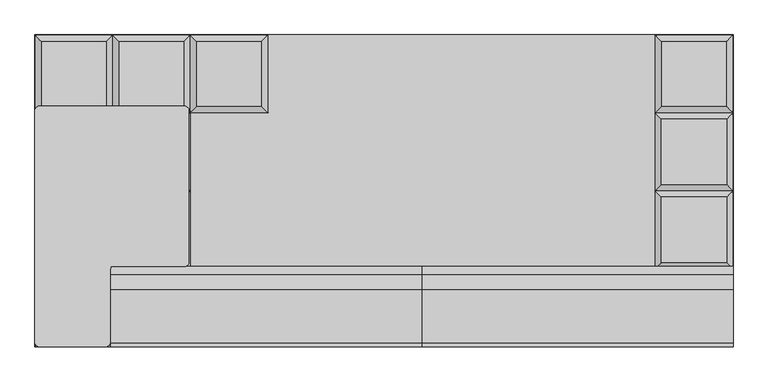
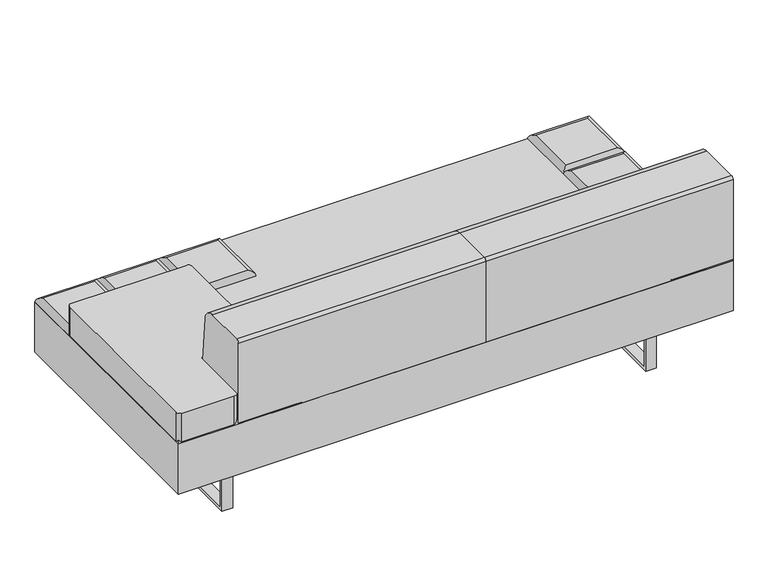
"""IFC4 building model written with IfcOpenShell, lengths in millimetres: furniture geometry."""

import ifcopenshell
import ifcopenshell.guid

model = None  # the IFC model being written
_history = None  # IfcOwnerHistory: only IFC2X3 demands one
_inside = {}  # id of a spatial element -> (the spatial element, [elements in it])
_under = {}  # id of a project, library or spatial element -> (it, [spatial elements below it])
_declared = {}  # id of a project -> (the project, [libraries it declares])
_typed = {}  # id of a type object -> (the type object, [elements of that type])
_made_of = {}  # id of a material, layer set ... -> (it, [elements and type objects made of it])


def new_model(schema):
    """Start an empty IFC model of exactly this schema.

    Asked for "IFC4X3", IfcOpenShell would pick the latest addendum, in which some entities
    have other attributes; the version numbers below select the first issue.
    IFC2X3 requires an IfcOwnerHistory on every rooted entity: one is made here for all.
    """
    global model, _history
    if schema == "IFC4X3":
        model = ifcopenshell.file(schema_version=(4, 3, 0, 0))
    else:
        model = ifcopenshell.file(schema=schema)
    _inside.clear()
    _under.clear()
    _declared.clear()
    _typed.clear()
    _made_of.clear()
    _history = None
    if model.schema == "IFC2X3":
        org = make("IfcOrganization", Name="unknown")
        user = make(
            "IfcPersonAndOrganization",
            ThePerson=make("IfcPerson", FamilyName="unknown"),
            TheOrganization=org,
        )
        app = make(
            "IfcApplication",
            ApplicationDeveloper=org,
            Version="unknown",
            ApplicationFullName="unknown",
            ApplicationIdentifier="unknown",
        )
        _history = make(
            "IfcOwnerHistory",
            OwningUser=user,
            OwningApplication=app,
            ChangeAction="ADDED",
            CreationDate=0,
        )
    return model


def make(cls, **values):
    """One entity of the class cls with the attributes given. An attribute that is None is left unset."""
    return model.create_entity(
        cls, **{name: value for name, value in values.items() if value is not None}
    )


def rooted(cls, **values):
    """An entity with a GlobalId (a new one), such as an element, a storey or a relation."""
    return make(cls, GlobalId=ifcopenshell.guid.new(), OwnerHistory=_history, **values)


def si_unit(unit_type, name, prefix=None):
    """IfcSIUnit, for example si_unit("LENGTHUNIT", "METRE", prefix="MILLI")."""
    return make("IfcSIUnit", UnitType=unit_type, Prefix=prefix, Name=name)


def assignment(units):
    """IfcUnitAssignment: the units of a project."""
    return None if units is None else make("IfcUnitAssignment", Units=units)


def point(xyz):
    """IfcCartesianPoint."""
    return None if xyz is None else make("IfcCartesianPoint", Coordinates=xyz)


def direction(xyz):
    """IfcDirection."""
    return None if xyz is None else make("IfcDirection", DirectionRatios=xyz)


def frame(location, z_axis=None, x_axis=None):
    """IfcAxis2Placement3D, a coordinate frame: its origin and axes. An axis left out is left unset."""
    return make(
        "IfcAxis2Placement3D",
        Location=point(location),
        Axis=direction(z_axis),
        RefDirection=direction(x_axis),
    )


def frame_2d(location, x_axis=None):
    """IfcAxis2Placement2D, a coordinate frame in the plane: its origin and x axis."""
    return make(
        "IfcAxis2Placement2D", Location=point(location), RefDirection=direction(x_axis)
    )


def origin():
    """The frame at (0, 0, 0) with its axes left unset."""
    return frame((0.0, 0.0, 0.0))


def place(relative_to, where):
    """IfcLocalPlacement: puts the frame where relative to a parent placement (None: the world)."""
    return make(
        "IfcLocalPlacement", PlacementRelTo=relative_to, RelativePlacement=where
    )


def context(
    kind, dimensions, precision=None, world=None, true_north=None, identifier=None
):
    """IfcGeometricRepresentationContext, for example the 3D "Model" context."""
    return make(
        "IfcGeometricRepresentationContext",
        ContextIdentifier=identifier,
        ContextType=kind,
        CoordinateSpaceDimension=dimensions,
        Precision=precision,
        WorldCoordinateSystem=world,
        TrueNorth=true_north,
    )


def project(units=None, contexts=None):
    """IfcProject with its units and contexts."""
    return rooted(
        "IfcProject",
        Name="project",
        RepresentationContexts=contexts,
        UnitsInContext=assignment(units),
    )


def spatial(cls, under=None, at=None, **own):
    """A site, building, storey or space (cls), placed at a placement, below another one or the project."""
    s = rooted(cls, ObjectPlacement=at, **own)
    if under is not None:
        _under.setdefault(under.id(), (under, []))[1].append(s)
    return s


def polyline(points):
    """IfcPolyline through the points."""
    return make("IfcPolyline", Points=[point(p) for p in points])


def circle_curve(where, radius):
    """IfcCircle in the frame where."""
    return make("IfcCircle", Position=where, Radius=radius)


def ellipse_curve(where, semi_axis1, semi_axis2):
    """IfcEllipse in the frame where."""
    return make(
        "IfcEllipse", Position=where, SemiAxis1=semi_axis1, SemiAxis2=semi_axis2
    )


def trimmed(basis, trim1, trim2, sense, master):
    """IfcTrimmedCurve: the piece of a basis curve between two trims."""
    return make(
        "IfcTrimmedCurve",
        BasisCurve=basis,
        Trim1=trim1,
        Trim2=trim2,
        SenseAgreement=sense,
        MasterRepresentation=master,
    )


def segment(curve, same_sense, transition):
    """IfcCompositeCurveSegment."""
    return make(
        "IfcCompositeCurveSegment",
        Transition=transition,
        SameSense=same_sense,
        ParentCurve=curve,
    )


def composite_curve(segments, self_intersect=None):
    """IfcCompositeCurve: segments joined end to end."""
    return make("IfcCompositeCurve", Segments=segments, SelfIntersect=self_intersect)


def outline(outer, holes=None, kind="AREA"):
    """IfcArbitraryClosedProfileDef: a profile drawn as a closed curve; with holes, ...WithVoids."""
    if holes is None:
        return make("IfcArbitraryClosedProfileDef", ProfileType=kind, OuterCurve=outer)
    return make(
        "IfcArbitraryProfileDefWithVoids",
        ProfileType=kind,
        OuterCurve=outer,
        InnerCurves=holes,
    )


def extrude(swept, where, along, depth):
    """IfcExtrudedAreaSolid: the profile swept, set in the frame where, extruded along a direction by depth."""
    return make(
        "IfcExtrudedAreaSolid",
        SweptArea=swept,
        Position=where,
        ExtrudedDirection=direction(along),
        Depth=depth,
    )


def shape(context_of_items, identifier, shape_type, items):
    """IfcShapeRepresentation: the items that make up one representation, for example the "Body"."""
    return make(
        "IfcShapeRepresentation",
        ContextOfItems=context_of_items,
        RepresentationIdentifier=identifier,
        RepresentationType=shape_type,
        Items=items,
    )


def source(mapping_origin, context_of_items, identifier, shape_type, items):
    """IfcRepresentationMap: a shape defined once, which mapped items show again and again."""
    return make(
        "IfcRepresentationMap",
        MappingOrigin=mapping_origin,
        MappedRepresentation=shape(context_of_items, identifier, shape_type, items),
    )


def transform(
    local_origin,
    x_axis=None,
    y_axis=None,
    z_axis=None,
    scale=None,
    scale2=None,
    scale3=None,
    uniform=True,
):
    """IfcCartesianTransformationOperator3D, or its non-uniform kind. x_axis, y_axis, z_axis: its Axis1, 2, 3."""
    if uniform:
        return make(
            "IfcCartesianTransformationOperator3D",
            Axis1=direction(x_axis),
            Axis2=direction(y_axis),
            LocalOrigin=point(local_origin),
            Scale=scale,
            Axis3=direction(z_axis),
        )
    return make(
        "IfcCartesianTransformationOperator3DnonUniform",
        Axis1=direction(x_axis),
        Axis2=direction(y_axis),
        LocalOrigin=point(local_origin),
        Scale=scale,
        Axis3=direction(z_axis),
        Scale2=scale2,
        Scale3=scale3,
    )


def mapped(mapping_source, mapping_target):
    """IfcMappedItem: shows the shape of a source again, moved by a transform."""
    return make(
        "IfcMappedItem", MappingSource=mapping_source, MappingTarget=mapping_target
    )


def made_of(thing, what):
    """Note that an element or type object is made of a material, layer set ...; save() writes the relation."""
    if what is not None:
        _made_of.setdefault(what.id(), (what, []))[1].append(thing)
    return thing


def element(
    cls,
    number,
    at=None,
    inside=None,
    cuts=None,
    type_object=None,
    material=None,
    context=None,
    identifier="Body",
    shape_type=None,
    held_by="IfcProductDefinitionShape",
    body=None,
    shapes=None,
    **own,
):
    """One element of the class cls, such as IfcWall. Its Tag is "e" and its number.

    at: its placement. inside: the storey or other place that contains it. cuts: it is an
    opening in that element (IfcRelVoidsElement). A single representation is given by context,
    identifier, shape_type and body (its items); several are given by shapes. held_by: the class
    of the entity that holds the representations. save() writes the other relations.
    """
    e = rooted(cls, Tag="e%d" % number, ObjectPlacement=at, **own)
    if body is not None:
        shapes = [shape(context, identifier, shape_type, body)]
    if shapes is not None:
        e.Representation = make(held_by, Representations=shapes)
    if inside is not None:
        _inside.setdefault(inside.id(), (inside, []))[1].append(e)
    if cuts is not None:
        rooted(
            "IfcRelVoidsElement", RelatingBuildingElement=cuts, RelatedOpeningElement=e
        )
    if type_object is not None:
        _typed.setdefault(type_object.id(), (type_object, []))[1].append(e)
    return made_of(e, material)


def aggregate(whole, parts):
    """IfcRelAggregates: a whole, such as a stair, and the parts it consists of."""
    return rooted("IfcRelAggregates", RelatingObject=whole, RelatedObjects=parts)


def save(model, path):
    """Write the relations noted so far, then the file.

    IfcRelAggregates (storeys below a building ...), IfcRelContainedInSpatialStructure (elements
    in a storey), IfcRelDefinesByType, IfcRelAssociatesMaterial and IfcRelDeclares: one each for
    every whole, place, type object, material and project.
    """
    for whole, parts in _under.values():
        aggregate(whole, parts)
    for where, things in _inside.values():
        rooted(
            "IfcRelContainedInSpatialStructure",
            RelatedElements=things,
            RelatingStructure=where,
        )
    for kind, things in _typed.values():
        rooted("IfcRelDefinesByType", RelatedObjects=things, RelatingType=kind)
    for what, things in _made_of.values():
        rooted("IfcRelAssociatesMaterial", RelatedObjects=things, RelatingMaterial=what)
    for by, libraries in _declared.values():
        rooted("IfcRelDeclares", RelatingContext=by, RelatedDefinitions=libraries)
    model.write(path)


def plane_surface(at):
    """IfcPlane: the flat surface through the origin of the frame at, square to its z axis."""
    return make("IfcPlane", Position=at)


def cylinder_surface(at, radius):
    """IfcCylindricalSurface: all points at the distance radius from the z axis of the frame at."""
    return make("IfcCylindricalSurface", Position=at, Radius=radius)


def advanced_brep(points, edges, surfaces, faces):
    """IfcAdvancedBrep: a solid bounded by faces that lie on surfaces and meet in shared edges.

    An edge is (start, end): straight between two places in points (the first is 0);
    or (start, end, curve); or (start, end, curve, False) where it runs against its curve.
    A face is (place in surfaces, loops), or (place, loops, False) where it looks against
    its surface's normal. A loop lists edges by number (the first is 1), with a minus sign
    where the edge is run from its end to its start. The first loop is the outer one.
    """
    corners = [point(p) for p in points]
    vertices = [make("IfcVertexPoint", VertexGeometry=c) for c in corners]
    made = []
    for start, end, *more in edges:
        made.append(
            make(
                "IfcEdgeCurve",
                EdgeStart=vertices[start],
                EdgeEnd=vertices[end],
                EdgeGeometry=more[0] if more else make("IfcPolyline", Points=[corners[start], corners[end]]),
                SameSense=more[1] if len(more) > 1 else True,
            )
        )
    hull = []
    for where, loops, *sense in faces:
        bounds = []
        for j, loop in enumerate(loops):
            ring = [make("IfcOrientedEdge", EdgeElement=made[abs(k) - 1], Orientation=k > 0) for k in loop]
            bounds.append(
                make(
                    "IfcFaceOuterBound" if j == 0 else "IfcFaceBound",
                    Bound=make("IfcEdgeLoop", EdgeList=ring),
                    Orientation=True,
                )
            )
        hull.append(make("IfcAdvancedFace", Bounds=bounds, FaceSurface=surfaces[where], SameSense=sense[0] if sense else True))
    return make("IfcAdvancedBrep", Outer=make("IfcClosedShell", CfsFaces=hull))


def furniture_3bc9bcd6(model_context):
    return source(origin(), model_context, "Body", "SolidModel", [
        advanced_brep(
        [(-330.2, 222.25, 393.7), (-330.2, 444.5, 393.7), (-348.1605122, 426.5394878, 411.6605122), (-348.1605122, 240.2105122, 411.6605122), (-552.45, 444.5, 393.7), (-534.4894878, 426.5394878, 411.6605122), (-552.45, 222.25, 393.7), (-534.4894878, 240.2105122, 411.6605122)],
        [
            (0, 1),
            (1, 2, ellipse_curve(frame((-348.1605122, 426.5394878, 393.7), z_axis=(0.7071067811865475, -0.7071067811865475, 0.0), x_axis=(-0.7071067811865474, -0.7071067811865476, 0.0)), 25.4, 17.9605122)),
            (2, 3),
            (3, 0, ellipse_curve(frame((-348.1605122, 240.2105122, 393.7), z_axis=(0.7071067811865475, 0.7071067811865475, 0.0), x_axis=(0.7071067811865474, -0.7071067811865476, 0.0)), 25.4, 17.9605122)),
            (1, 4),
            (4, 5, ellipse_curve(frame((-534.4894878, 426.5394878, 393.7), z_axis=(0.7071067811865475, 0.7071067811865475, 0.0), x_axis=(0.7071067811865476, -0.7071067811865474, 0.0)), 25.4, 17.9605122)),
            (5, 2),
            (4, 6),
            (6, 7, ellipse_curve(frame((-534.4894878, 240.2105122, 393.7), z_axis=(-0.7071067811865475, 0.7071067811865475, 0.0), x_axis=(0.7071067811865474, 0.7071067811865476, 0.0)), 25.4, 17.9605122)),
            (7, 5),
            (3, 7),
            (6, 0),
        ],
        [
            cylinder_surface(frame((-348.1605122, 222.25, 393.7), z_axis=(0.0, -1.0, 0.0), x_axis=(1.0, 0.0, 0.0)), 17.9605122),
            cylinder_surface(frame((-330.2, 426.5394878, 393.7), z_axis=(1.0, 0.0, 0.0), x_axis=(0.0, 1.0, 0.0)), 17.9605122),
            cylinder_surface(frame((-534.4894878, 444.5, 393.7), z_axis=(0.0, 1.0, 0.0), x_axis=(-1.0, 0.0, 0.0)), 17.9605122),
            cylinder_surface(frame((-552.45, 240.2105122, 393.7), z_axis=(-1.0, 0.0, 0.0), x_axis=(0.0, -1.0, 0.0)), 17.9605122),
            plane_surface(frame((-552.45, 222.25, 393.7), z_axis=(0.0, 0.0, -1.0), x_axis=(1.0, 0.0, 0.0))),
            plane_surface(frame((-534.4894878, 240.2105122, 411.6605122), z_axis=(0.0, 0.0, 1.0), x_axis=(-1.0, 0.0, 0.0))),
        ],
        [
            (0, [[1, 2, 3, 4]]),
            (1, [[5, 6, 7, -2]]),
            (2, [[8, 9, 10, -6]]),
            (3, [[11, -9, 12, -4]]),
            (4, [[-12, -8, -5, -1]]),
            (5, [[-7, -10, -11, -3]]),
        ],
    ),
        advanced_brep(
        [(-568.8230122, 204.2894878, 411.6605122), (-755.1519878, 204.2894878, 411.6605122), (-755.1519878, 17.9605122, 411.6605122), (-568.8230122, 17.9605122, 411.6605122), (-550.8625, 0.0, 393.7), (-773.1125, 0.0, 393.7), (-773.1125, 222.25, 393.7), (-550.8625, 222.25, 393.7)],
        [
            (0, 1),
            (1, 2),
            (2, 3),
            (3, 0),
            (4, 5),
            (5, 6),
            (6, 7),
            (7, 4),
            (7, 0, ellipse_curve(frame((-568.8230122, 204.2894878, 393.7), z_axis=(0.7071067811865475, -0.7071067811865475, 0.0), x_axis=(-0.7071067811865474, -0.7071067811865476, 0.0)), 25.4, 17.9605122)),
            (3, 4, ellipse_curve(frame((-568.8230122, 17.9605122, 393.7), z_axis=(0.7071067811865475, 0.7071067811865475, 0.0), x_axis=(0.7071067811865474, -0.7071067811865476, 0.0)), 25.4, 17.9605122)),
            (6, 1, ellipse_curve(frame((-755.1519878, 204.2894878, 393.7), z_axis=(0.7071067811865475, 0.7071067811865475, 0.0), x_axis=(0.7071067811865476, -0.7071067811865474, 0.0)), 25.4, 17.9605122)),
            (5, 2, ellipse_curve(frame((-755.1519878, 17.9605122, 393.7), z_axis=(-0.7071067811865475, 0.7071067811865475, 0.0), x_axis=(0.7071067811865474, 0.7071067811865476, 0.0)), 25.4, 17.9605122)),
        ],
        [
            plane_surface(frame((-755.1519878, 17.9605122, 411.6605122), z_axis=(0.0, 0.0, 1.0), x_axis=(-1.0, 0.0, 0.0))),
            plane_surface(frame((-755.1519878, 17.9605122, 393.7), z_axis=(0.0, 0.0, -1.0), x_axis=(1.0, 0.0, 0.0))),
            cylinder_surface(frame((-568.8230122, 0.0, 393.7), z_axis=(0.0, -1.0, 0.0), x_axis=(1.0, 0.0, 0.0)), 17.9605122),
            cylinder_surface(frame((-550.8625, 204.2894878, 393.7), z_axis=(1.0, 0.0, 0.0), x_axis=(0.0, 1.0, 0.0)), 17.9605122),
            cylinder_surface(frame((-755.1519878, 222.25, 393.7), z_axis=(0.0, 1.0, 0.0), x_axis=(-1.0, 0.0, 0.0)), 17.9605122),
            cylinder_surface(frame((-773.1125, 17.9605122, 393.7), z_axis=(-1.0, 0.0, 0.0), x_axis=(0.0, -1.0, 0.0)), 17.9605122),
        ],
        [
            (0, [[1, 2, 3, 4]]),
            (1, [[5, 6, 7, 8]]),
            (2, [[-8, 9, -4, 10]]),
            (3, [[-7, 11, -1, -9]]),
            (4, [[-6, 12, -2, -11]]),
            (5, [[-3, -12, -5, -10]]),
        ],
    ),
        advanced_brep(
        [(-568.8230122, -17.9605122, 411.6605122), (-755.1519878, -17.9605122, 411.6605122), (-755.1519878, -204.2894878, 411.6605122), (-568.8230122, -204.2894878, 411.6605122), (-550.8625, -222.25, 393.7), (-773.1125, -222.25, 393.7), (-773.1125, 0.0, 393.7), (-550.8625, 0.0, 393.7)],
        [
            (0, 1),
            (1, 2),
            (2, 3),
            (3, 0),
            (4, 5),
            (5, 6),
            (6, 7),
            (7, 4),
            (7, 0, ellipse_curve(frame((-568.8230122, -17.9605122, 393.7), z_axis=(0.7071067811865475, -0.7071067811865475, 0.0), x_axis=(-0.7071067811865474, -0.7071067811865476, 0.0)), 25.4, 17.9605122)),
            (3, 4, ellipse_curve(frame((-568.8230122, -204.2894878, 393.7), z_axis=(0.7071067811865475, 0.7071067811865475, 0.0), x_axis=(0.7071067811865474, -0.7071067811865476, 0.0)), 25.4, 17.9605122)),
            (6, 1, ellipse_curve(frame((-755.1519878, -17.9605122, 393.7), z_axis=(0.7071067811865475, 0.7071067811865475, 0.0), x_axis=(0.7071067811865476, -0.7071067811865474, 0.0)), 25.4, 17.9605122)),
            (5, 2, ellipse_curve(frame((-755.1519878, -204.2894878, 393.7), z_axis=(-0.7071067811865475, 0.7071067811865475, 0.0), x_axis=(0.7071067811865474, 0.7071067811865476, 0.0)), 25.4, 17.9605122)),
        ],
        [
            plane_surface(frame((-755.1519878, -204.2894878, 411.6605122), z_axis=(0.0, 0.0, 1.0), x_axis=(-1.0, 0.0, 0.0))),
            plane_surface(frame((-755.1519878, -204.2894878, 393.7), z_axis=(0.0, 0.0, -1.0), x_axis=(1.0, 0.0, 0.0))),
            cylinder_surface(frame((-568.8230122, -222.25, 393.7), z_axis=(0.0, -1.0, 0.0), x_axis=(1.0, 0.0, 0.0)), 17.9605122),
            cylinder_surface(frame((-550.8625, -17.9605122, 393.7), z_axis=(1.0, 0.0, 0.0), x_axis=(0.0, 1.0, 0.0)), 17.9605122),
            cylinder_surface(frame((-755.1519878, 0.0, 393.7), z_axis=(0.0, 1.0, 0.0), x_axis=(-1.0, 0.0, 0.0)), 17.9605122),
            cylinder_surface(frame((-773.1125, -204.2894878, 393.7), z_axis=(-1.0, 0.0, 0.0), x_axis=(0.0, -1.0, 0.0)), 17.9605122),
        ],
        [
            (0, [[1, 2, 3, 4]]),
            (1, [[5, 6, 7, 8]]),
            (2, [[-8, 9, -4, 10]]),
            (3, [[-7, 11, -1, -9]]),
            (4, [[-6, 12, -2, -11]]),
            (5, [[-3, -12, -5, -10]]),
        ],
    ),
        advanced_brep(
        [(-568.8230122, -240.2105122, 411.6605122), (-755.1519878, -240.2105122, 411.6605122), (-755.1519878, -426.5394878, 411.6605122), (-568.8230122, -426.5394878, 411.6605122), (-550.8625, -444.5, 393.7), (-773.1125, -444.5, 393.7), (-773.1125, -222.25, 393.7), (-550.8625, -222.25, 393.7)],
        [
            (0, 1),
            (1, 2),
            (2, 3),
            (3, 0),
            (4, 5),
            (5, 6),
            (6, 7),
            (7, 4),
            (7, 0, ellipse_curve(frame((-568.8230122, -240.2105122, 393.7), z_axis=(0.7071067811865475, -0.7071067811865475, 0.0), x_axis=(-0.7071067811865474, -0.7071067811865476, 0.0)), 25.4, 17.9605122)),
            (3, 4, ellipse_curve(frame((-568.8230122, -426.5394878, 393.7), z_axis=(0.7071067811865475, 0.7071067811865475, 0.0), x_axis=(0.7071067811865474, -0.7071067811865476, 0.0)), 25.4, 17.9605122)),
            (6, 1, ellipse_curve(frame((-755.1519878, -240.2105122, 393.7), z_axis=(0.7071067811865475, 0.7071067811865475, 0.0), x_axis=(0.7071067811865476, -0.7071067811865474, 0.0)), 25.4, 17.9605122)),
            (5, 2, ellipse_curve(frame((-755.1519878, -426.5394878, 393.7), z_axis=(-0.7071067811865475, 0.7071067811865475, 0.0), x_axis=(0.7071067811865474, 0.7071067811865476, 0.0)), 25.4, 17.9605122)),
        ],
        [
            plane_surface(frame((-755.1519878, -426.5394878, 411.6605122), z_axis=(0.0, 0.0, 1.0), x_axis=(-1.0, 0.0, 0.0))),
            plane_surface(frame((-755.1519878, -426.5394878, 393.7), z_axis=(0.0, 0.0, -1.0), x_axis=(1.0, 0.0, 0.0))),
            cylinder_surface(frame((-568.8230122, -444.5, 393.7), z_axis=(0.0, -1.0, 0.0), x_axis=(1.0, 0.0, 0.0)), 17.9605122),
            cylinder_surface(frame((-550.8625, -240.2105122, 393.7), z_axis=(1.0, 0.0, 0.0), x_axis=(0.0, 1.0, 0.0)), 17.9605122),
            cylinder_surface(frame((-755.1519878, -222.25, 393.7), z_axis=(0.0, 1.0, 0.0), x_axis=(-1.0, 0.0, 0.0)), 17.9605122),
            cylinder_surface(frame((-773.1125, -426.5394878, 393.7), z_axis=(-1.0, 0.0, 0.0), x_axis=(0.0, -1.0, 0.0)), 17.9605122),
        ],
        [
            (0, [[1, 2, 3, 4]]),
            (1, [[5, 6, 7, 8]]),
            (2, [[-8, 9, -4, 10]]),
            (3, [[-7, 11, -1, -9]]),
            (4, [[-6, 12, -2, -11]]),
            (5, [[-3, -12, -5, -10]]),
        ],
    ),
        advanced_brep(
        [(-550.8625, 222.25, 393.7), (-550.8625, 444.5, 393.7), (-568.8230122, 426.5394878, 411.6605122), (-568.8230122, 240.2105122, 411.6605122), (-773.1125, 444.5, 393.7), (-755.1519878, 426.5394878, 411.6605122), (-773.1125, 222.25, 393.7), (-755.1519878, 240.2105122, 411.6605122)],
        [
            (0, 1),
            (1, 2, ellipse_curve(frame((-568.8230122, 426.5394878, 393.7), z_axis=(0.7071067811865475, -0.7071067811865475, 0.0), x_axis=(-0.7071067811865474, -0.7071067811865476, 0.0)), 25.4, 17.9605122)),
            (2, 3),
            (3, 0, ellipse_curve(frame((-568.8230122, 240.2105122, 393.7), z_axis=(0.7071067811865475, 0.7071067811865475, 0.0), x_axis=(0.7071067811865474, -0.7071067811865476, 0.0)), 25.4, 17.9605122)),
            (1, 4),
            (4, 5, ellipse_curve(frame((-755.1519878, 426.5394878, 393.7), z_axis=(0.7071067811865475, 0.7071067811865475, 0.0), x_axis=(0.7071067811865476, -0.7071067811865474, 0.0)), 25.4, 17.9605122)),
            (5, 2),
            (4, 6),
            (6, 7, ellipse_curve(frame((-755.1519878, 240.2105122, 393.7), z_axis=(-0.7071067811865475, 0.7071067811865475, 0.0), x_axis=(0.7071067811865474, 0.7071067811865476, 0.0)), 25.4, 17.9605122)),
            (7, 5),
            (3, 7),
            (6, 0),
        ],
        [
            cylinder_surface(frame((-568.8230122, 222.25, 393.7), z_axis=(0.0, -1.0, 0.0), x_axis=(1.0, 0.0, 0.0)), 17.9605122),
            cylinder_surface(frame((-550.8625, 426.5394878, 393.7), z_axis=(1.0, 0.0, 0.0), x_axis=(0.0, 1.0, 0.0)), 17.9605122),
            cylinder_surface(frame((-755.1519878, 444.5, 393.7), z_axis=(0.0, 1.0, 0.0), x_axis=(-1.0, 0.0, 0.0)), 17.9605122),
            cylinder_surface(frame((-773.1125, 240.2105122, 393.7), z_axis=(-1.0, 0.0, 0.0), x_axis=(0.0, -1.0, 0.0)), 17.9605122),
            plane_surface(frame((-773.1125, 222.25, 393.7), z_axis=(0.0, 0.0, -1.0), x_axis=(1.0, 0.0, 0.0))),
            plane_surface(frame((-755.1519878, 240.2105122, 411.6605122), z_axis=(0.0, 0.0, 1.0), x_axis=(-1.0, 0.0, 0.0))),
        ],
        [
            (0, [[1, 2, 3, 4]]),
            (1, [[5, 6, 7, -2]]),
            (2, [[8, 9, 10, -6]]),
            (3, [[11, -9, 12, -4]]),
            (4, [[-12, -8, -5, -1]]),
            (5, [[-7, -10, -11, -3]]),
        ],
    ),
        advanced_brep(
        [(975.8144878, 204.2894878, 411.6605122), (789.4855122, 204.2894878, 411.6605122), (789.4855122, 17.9605122, 411.6605122), (975.8144878, 17.9605122, 411.6605122), (993.775, 0.0, 393.7), (771.525, 0.0, 393.7), (771.525, 222.25, 393.7), (993.775, 222.25, 393.7)],
        [
            (0, 1),
            (1, 2),
            (2, 3),
            (3, 0),
            (4, 5),
            (5, 6),
            (6, 7),
            (7, 4),
            (7, 0, ellipse_curve(frame((975.8144878, 204.2894878, 393.7), z_axis=(0.7071067811865475, -0.7071067811865475, 0.0), x_axis=(-0.7071067811865474, -0.7071067811865476, 0.0)), 25.4, 17.9605122)),
            (3, 4, ellipse_curve(frame((975.8144878, 17.9605122, 393.7), z_axis=(0.7071067811865475, 0.7071067811865475, 0.0), x_axis=(0.7071067811865474, -0.7071067811865476, 0.0)), 25.4, 17.9605122)),
            (6, 1, ellipse_curve(frame((789.4855122, 204.2894878, 393.7), z_axis=(0.7071067811865475, 0.7071067811865475, 0.0), x_axis=(0.7071067811865476, -0.7071067811865474, 0.0)), 25.4, 17.9605122)),
            (5, 2, ellipse_curve(frame((789.4855122, 17.9605122, 393.7), z_axis=(-0.7071067811865475, 0.7071067811865475, 0.0), x_axis=(0.7071067811865474, 0.7071067811865476, 0.0)), 25.4, 17.9605122)),
        ],
        [
            plane_surface(frame((789.4855122, 17.9605122, 411.6605122), z_axis=(0.0, 0.0, 1.0), x_axis=(-1.0, 0.0, 0.0))),
            plane_surface(frame((789.4855122, 17.9605122, 393.7), z_axis=(0.0, 0.0, -1.0), x_axis=(1.0, 0.0, 0.0))),
            cylinder_surface(frame((975.8144878, 0.0, 393.7), z_axis=(0.0, -1.0, 0.0), x_axis=(1.0, 0.0, 0.0)), 17.9605122),
            cylinder_surface(frame((993.775, 204.2894878, 393.7), z_axis=(1.0, 0.0, 0.0), x_axis=(0.0, 1.0, 0.0)), 17.9605122),
            cylinder_surface(frame((789.4855122, 222.25, 393.7), z_axis=(0.0, 1.0, 0.0), x_axis=(-1.0, 0.0, 0.0)), 17.9605122),
            cylinder_surface(frame((771.525, 17.9605122, 393.7), z_axis=(-1.0, 0.0, 0.0), x_axis=(0.0, -1.0, 0.0)), 17.9605122),
        ],
        [
            (0, [[1, 2, 3, 4]]),
            (1, [[5, 6, 7, 8]]),
            (2, [[-8, 9, -4, 10]]),
            (3, [[-7, 11, -1, -9]]),
            (4, [[-6, 12, -2, -11]]),
            (5, [[-3, -12, -5, -10]]),
        ],
    ),
        advanced_brep(
        [(975.8144878, -17.9605122, 411.6605122), (789.4855122, -17.9605122, 411.6605122), (789.4855122, -204.2894878, 411.6605122), (975.8144878, -204.2894878, 411.6605122), (993.775, -222.25, 393.7), (771.525, -222.25, 393.7), (771.525, 0.0, 393.7), (993.775, 0.0, 393.7)],
        [
            (0, 1),
            (1, 2),
            (2, 3),
            (3, 0),
            (4, 5),
            (5, 6),
            (6, 7),
            (7, 4),
            (7, 0, ellipse_curve(frame((975.8144878, -17.9605122, 393.7), z_axis=(0.7071067811865475, -0.7071067811865475, 0.0), x_axis=(-0.7071067811865474, -0.7071067811865476, 0.0)), 25.4, 17.9605122)),
            (3, 4, ellipse_curve(frame((975.8144878, -204.2894878, 393.7), z_axis=(0.7071067811865475, 0.7071067811865475, 0.0), x_axis=(0.7071067811865474, -0.7071067811865476, 0.0)), 25.4, 17.9605122)),
            (6, 1, ellipse_curve(frame((789.4855122, -17.9605122, 393.7), z_axis=(0.7071067811865475, 0.7071067811865475, 0.0), x_axis=(0.7071067811865476, -0.7071067811865474, 0.0)), 25.4, 17.9605122)),
            (5, 2, ellipse_curve(frame((789.4855122, -204.2894878, 393.7), z_axis=(-0.7071067811865475, 0.7071067811865475, 0.0), x_axis=(0.7071067811865474, 0.7071067811865476, 0.0)), 25.4, 17.9605122)),
        ],
        [
            plane_surface(frame((789.4855122, -204.2894878, 411.6605122), z_axis=(0.0, 0.0, 1.0), x_axis=(-1.0, 0.0, 0.0))),
            plane_surface(frame((789.4855122, -204.2894878, 393.7), z_axis=(0.0, 0.0, -1.0), x_axis=(1.0, 0.0, 0.0))),
            cylinder_surface(frame((975.8144878, -222.25, 393.7), z_axis=(0.0, -1.0, 0.0), x_axis=(1.0, 0.0, 0.0)), 17.9605122),
            cylinder_surface(frame((993.775, -17.9605122, 393.7), z_axis=(1.0, 0.0, 0.0), x_axis=(0.0, 1.0, 0.0)), 17.9605122),
            cylinder_surface(frame((789.4855122, 0.0, 393.7), z_axis=(0.0, 1.0, 0.0), x_axis=(-1.0, 0.0, 0.0)), 17.9605122),
            cylinder_surface(frame((771.525, -204.2894878, 393.7), z_axis=(-1.0, 0.0, 0.0), x_axis=(0.0, -1.0, 0.0)), 17.9605122),
        ],
        [
            (0, [[1, 2, 3, 4]]),
            (1, [[5, 6, 7, 8]]),
            (2, [[-8, 9, -4, 10]]),
            (3, [[-7, 11, -1, -9]]),
            (4, [[-6, 12, -2, -11]]),
            (5, [[-3, -12, -5, -10]]),
        ],
    ),
        advanced_brep(
        [(975.8144878, -240.2105122, 411.6605122), (789.4855122, -240.2105122, 411.6605122), (789.4855122, -426.5394878, 411.6605122), (975.8144878, -426.5394878, 411.6605122), (993.775, -444.5, 393.7), (771.525, -444.5, 393.7), (771.525, -222.25, 393.7), (993.775, -222.25, 393.7)],
        [
            (0, 1),
            (1, 2),
            (2, 3),
            (3, 0),
            (4, 5),
            (5, 6),
            (6, 7),
            (7, 4),
            (7, 0, ellipse_curve(frame((975.8144878, -240.2105122, 393.7), z_axis=(0.7071067811865475, -0.7071067811865475, 0.0), x_axis=(-0.7071067811865474, -0.7071067811865476, 0.0)), 25.4, 17.9605122)),
            (3, 4, ellipse_curve(frame((975.8144878, -426.5394878, 393.7), z_axis=(0.7071067811865475, 0.7071067811865475, 0.0), x_axis=(0.7071067811865474, -0.7071067811865476, 0.0)), 25.4, 17.9605122)),
            (6, 1, ellipse_curve(frame((789.4855122, -240.2105122, 393.7), z_axis=(0.7071067811865475, 0.7071067811865475, 0.0), x_axis=(0.7071067811865476, -0.7071067811865474, 0.0)), 25.4, 17.9605122)),
            (5, 2, ellipse_curve(frame((789.4855122, -426.5394878, 393.7), z_axis=(-0.7071067811865475, 0.7071067811865475, 0.0), x_axis=(0.7071067811865474, 0.7071067811865476, 0.0)), 25.4, 17.9605122)),
        ],
        [
            plane_surface(frame((789.4855122, -426.5394878, 411.6605122), z_axis=(0.0, 0.0, 1.0), x_axis=(-1.0, 0.0, 0.0))),
            plane_surface(frame((789.4855122, -426.5394878, 393.7), z_axis=(0.0, 0.0, -1.0), x_axis=(1.0, 0.0, 0.0))),
            cylinder_surface(frame((975.8144878, -444.5, 393.7), z_axis=(0.0, -1.0, 0.0), x_axis=(1.0, 0.0, 0.0)), 17.9605122),
            cylinder_surface(frame((993.775, -240.2105122, 393.7), z_axis=(1.0, 0.0, 0.0), x_axis=(0.0, 1.0, 0.0)), 17.9605122),
            cylinder_surface(frame((789.4855122, -222.25, 393.7), z_axis=(0.0, 1.0, 0.0), x_axis=(-1.0, 0.0, 0.0)), 17.9605122),
            cylinder_surface(frame((771.525, -426.5394878, 393.7), z_axis=(-1.0, 0.0, 0.0), x_axis=(0.0, -1.0, 0.0)), 17.9605122),
        ],
        [
            (0, [[1, 2, 3, 4]]),
            (1, [[5, 6, 7, 8]]),
            (2, [[-8, 9, -4, 10]]),
            (3, [[-7, 11, -1, -9]]),
            (4, [[-6, 12, -2, -11]]),
            (5, [[-3, -12, -5, -10]]),
        ],
    ),
        advanced_brep(
        [(993.775, 222.25, 393.7), (993.775, 444.5, 393.7), (975.8144878, 426.5394878, 411.6605122), (975.8144878, 240.2105122, 411.6605122), (771.525, 444.5, 393.7), (789.4855122, 426.5394878, 411.6605122), (771.525, 222.25, 393.7), (789.4855122, 240.2105122, 411.6605122)],
        [
            (0, 1),
            (1, 2, ellipse_curve(frame((975.8144878, 426.5394878, 393.7), z_axis=(0.7071067811865475, -0.7071067811865475, 0.0), x_axis=(-0.7071067811865474, -0.7071067811865476, 0.0)), 25.4, 17.9605122)),
            (2, 3),
            (3, 0, ellipse_curve(frame((975.8144878, 240.2105122, 393.7), z_axis=(0.7071067811865475, 0.7071067811865475, 0.0), x_axis=(0.7071067811865474, -0.7071067811865476, 0.0)), 25.4, 17.9605122)),
            (1, 4),
            (4, 5, ellipse_curve(frame((789.4855122, 426.5394878, 393.7), z_axis=(0.7071067811865475, 0.7071067811865475, 0.0), x_axis=(0.7071067811865476, -0.7071067811865474, 0.0)), 25.4, 17.9605122)),
            (5, 2),
            (4, 6),
            (6, 7, ellipse_curve(frame((789.4855122, 240.2105122, 393.7), z_axis=(-0.7071067811865475, 0.7071067811865475, 0.0), x_axis=(0.7071067811865474, 0.7071067811865476, 0.0)), 25.4, 17.9605122)),
            (7, 5),
            (3, 7),
            (6, 0),
        ],
        [
            cylinder_surface(frame((975.8144878, 222.25, 393.7), z_axis=(0.0, -1.0, 0.0), x_axis=(1.0, 0.0, 0.0)), 17.9605122),
            cylinder_surface(frame((993.775, 426.5394878, 393.7), z_axis=(1.0, 0.0, 0.0), x_axis=(0.0, 1.0, 0.0)), 17.9605122),
            cylinder_surface(frame((789.4855122, 444.5, 393.7), z_axis=(0.0, 1.0, 0.0), x_axis=(-1.0, 0.0, 0.0)), 17.9605122),
            cylinder_surface(frame((771.525, 240.2105122, 393.7), z_axis=(-1.0, 0.0, 0.0), x_axis=(0.0, -1.0, 0.0)), 17.9605122),
            plane_surface(frame((771.525, 222.25, 393.7), z_axis=(0.0, 0.0, -1.0), x_axis=(1.0, 0.0, 0.0))),
            plane_surface(frame((789.4855122, 240.2105122, 411.6605122), z_axis=(0.0, 0.0, 1.0), x_axis=(-1.0, 0.0, 0.0))),
        ],
        [
            (0, [[1, 2, 3, 4]]),
            (1, [[5, 6, 7, -2]]),
            (2, [[8, 9, 10, -6]]),
            (3, [[11, -9, 12, -4]]),
            (4, [[-12, -8, -5, -1]]),
            (5, [[-7, -10, -11, -3]]),
        ],
    ),
        advanced_brep(
        [(-789.4855122, 204.2894878, 411.6605122), (-975.8144878, 204.2894878, 411.6605122), (-975.8144878, 17.9605122, 411.6605122), (-789.4855122, 17.9605122, 411.6605122), (-771.525, 0.0, 393.7), (-993.775, 0.0, 393.7), (-993.775, 222.25, 393.7), (-771.525, 222.25, 393.7)],
        [
            (0, 1),
            (1, 2),
            (2, 3),
            (3, 0),
            (4, 5),
            (5, 6),
            (6, 7),
            (7, 4),
            (7, 0, ellipse_curve(frame((-789.4855122, 204.2894878, 393.7), z_axis=(0.7071067811865475, -0.7071067811865475, 0.0), x_axis=(-0.7071067811865474, -0.7071067811865476, 0.0)), 25.4, 17.9605122)),
            (3, 4, ellipse_curve(frame((-789.4855122, 17.9605122, 393.7), z_axis=(0.7071067811865475, 0.7071067811865475, 0.0), x_axis=(0.7071067811865474, -0.7071067811865476, 0.0)), 25.4, 17.9605122)),
            (6, 1, ellipse_curve(frame((-975.8144878, 204.2894878, 393.7), z_axis=(0.7071067811865475, 0.7071067811865475, 0.0), x_axis=(0.7071067811865476, -0.7071067811865474, 0.0)), 25.4, 17.9605122)),
            (5, 2, ellipse_curve(frame((-975.8144878, 17.9605122, 393.7), z_axis=(-0.7071067811865475, 0.7071067811865475, 0.0), x_axis=(0.7071067811865474, 0.7071067811865476, 0.0)), 25.4, 17.9605122)),
        ],
        [
            plane_surface(frame((-975.8144878, 17.9605122, 411.6605122), z_axis=(0.0, 0.0, 1.0), x_axis=(-1.0, 0.0, 0.0))),
            plane_surface(frame((-975.8144878, 17.9605122, 393.7), z_axis=(0.0, 0.0, -1.0), x_axis=(1.0, 0.0, 0.0))),
            cylinder_surface(frame((-789.4855122, 0.0, 393.7), z_axis=(0.0, -1.0, 0.0), x_axis=(1.0, 0.0, 0.0)), 17.9605122),
            cylinder_surface(frame((-771.525, 204.2894878, 393.7), z_axis=(1.0, 0.0, 0.0), x_axis=(0.0, 1.0, 0.0)), 17.9605122),
            cylinder_surface(frame((-975.8144878, 222.25, 393.7), z_axis=(0.0, 1.0, 0.0), x_axis=(-1.0, 0.0, 0.0)), 17.9605122),
            cylinder_surface(frame((-993.775, 17.9605122, 393.7), z_axis=(-1.0, 0.0, 0.0), x_axis=(0.0, -1.0, 0.0)), 17.9605122),
        ],
        [
            (0, [[1, 2, 3, 4]]),
            (1, [[5, 6, 7, 8]]),
            (2, [[-8, 9, -4, 10]]),
            (3, [[-7, 11, -1, -9]]),
            (4, [[-6, 12, -2, -11]]),
            (5, [[-3, -12, -5, -10]]),
        ],
    ),
        advanced_brep(
        [(-789.4855122, -17.9605122, 411.6605122), (-975.8144878, -17.9605122, 411.6605122), (-975.8144878, -204.2894878, 411.6605122), (-789.4855122, -204.2894878, 411.6605122), (-771.525, -222.25, 393.7), (-993.775, -222.25, 393.7), (-993.775, 0.0, 393.7), (-771.525, 0.0, 393.7)],
        [
            (0, 1),
            (1, 2),
            (2, 3),
            (3, 0),
            (4, 5),
            (5, 6),
            (6, 7),
            (7, 4),
            (7, 0, ellipse_curve(frame((-789.4855122, -17.9605122, 393.7), z_axis=(0.7071067811865475, -0.7071067811865475, 0.0), x_axis=(-0.7071067811865474, -0.7071067811865476, 0.0)), 25.4, 17.9605122)),
            (3, 4, ellipse_curve(frame((-789.4855122, -204.2894878, 393.7), z_axis=(0.7071067811865475, 0.7071067811865475, 0.0), x_axis=(0.7071067811865474, -0.7071067811865476, 0.0)), 25.4, 17.9605122)),
            (6, 1, ellipse_curve(frame((-975.8144878, -17.9605122, 393.7), z_axis=(0.7071067811865475, 0.7071067811865475, 0.0), x_axis=(0.7071067811865476, -0.7071067811865474, 0.0)), 25.4, 17.9605122)),
            (5, 2, ellipse_curve(frame((-975.8144878, -204.2894878, 393.7), z_axis=(-0.7071067811865475, 0.7071067811865475, 0.0), x_axis=(0.7071067811865474, 0.7071067811865476, 0.0)), 25.4, 17.9605122)),
        ],
        [
            plane_surface(frame((-975.8144878, -204.2894878, 411.6605122), z_axis=(0.0, 0.0, 1.0), x_axis=(-1.0, 0.0, 0.0))),
            plane_surface(frame((-975.8144878, -204.2894878, 393.7), z_axis=(0.0, 0.0, -1.0), x_axis=(1.0, 0.0, 0.0))),
            cylinder_surface(frame((-789.4855122, -222.25, 393.7), z_axis=(0.0, -1.0, 0.0), x_axis=(1.0, 0.0, 0.0)), 17.9605122),
            cylinder_surface(frame((-771.525, -17.9605122, 393.7), z_axis=(1.0, 0.0, 0.0), x_axis=(0.0, 1.0, 0.0)), 17.9605122),
            cylinder_surface(frame((-975.8144878, 0.0, 393.7), z_axis=(0.0, 1.0, 0.0), x_axis=(-1.0, 0.0, 0.0)), 17.9605122),
            cylinder_surface(frame((-993.775, -204.2894878, 393.7), z_axis=(-1.0, 0.0, 0.0), x_axis=(0.0, -1.0, 0.0)), 17.9605122),
        ],
        [
            (0, [[1, 2, 3, 4]]),
            (1, [[5, 6, 7, 8]]),
            (2, [[-8, 9, -4, 10]]),
            (3, [[-7, 11, -1, -9]]),
            (4, [[-6, 12, -2, -11]]),
            (5, [[-3, -12, -5, -10]]),
        ],
    ),
        advanced_brep(
        [(-789.4855122, -240.2105122, 411.6605122), (-975.8144878, -240.2105122, 411.6605122), (-975.8144878, -426.5394878, 411.6605122), (-789.4855122, -426.5394878, 411.6605122), (-771.525, -444.5, 393.7), (-993.775, -444.5, 393.7), (-993.775, -222.25, 393.7), (-771.525, -222.25, 393.7)],
        [
            (0, 1),
            (1, 2),
            (2, 3),
            (3, 0),
            (4, 5),
            (5, 6),
            (6, 7),
            (7, 4),
            (7, 0, ellipse_curve(frame((-789.4855122, -240.2105122, 393.7), z_axis=(0.7071067811865475, -0.7071067811865475, 0.0), x_axis=(-0.7071067811865474, -0.7071067811865476, 0.0)), 25.4, 17.9605122)),
            (3, 4, ellipse_curve(frame((-789.4855122, -426.5394878, 393.7), z_axis=(0.7071067811865475, 0.7071067811865475, 0.0), x_axis=(0.7071067811865474, -0.7071067811865476, 0.0)), 25.4, 17.9605122)),
            (6, 1, ellipse_curve(frame((-975.8144878, -240.2105122, 393.7), z_axis=(0.7071067811865475, 0.7071067811865475, 0.0), x_axis=(0.7071067811865476, -0.7071067811865474, 0.0)), 25.4, 17.9605122)),
            (5, 2, ellipse_curve(frame((-975.8144878, -426.5394878, 393.7), z_axis=(-0.7071067811865475, 0.7071067811865475, 0.0), x_axis=(0.7071067811865474, 0.7071067811865476, 0.0)), 25.4, 17.9605122)),
        ],
        [
            plane_surface(frame((-975.8144878, -426.5394878, 411.6605122), z_axis=(0.0, 0.0, 1.0), x_axis=(-1.0, 0.0, 0.0))),
            plane_surface(frame((-975.8144878, -426.5394878, 393.7), z_axis=(0.0, 0.0, -1.0), x_axis=(1.0, 0.0, 0.0))),
            cylinder_surface(frame((-789.4855122, -444.5, 393.7), z_axis=(0.0, -1.0, 0.0), x_axis=(1.0, 0.0, 0.0)), 17.9605122),
            cylinder_surface(frame((-771.525, -240.2105122, 393.7), z_axis=(1.0, 0.0, 0.0), x_axis=(0.0, 1.0, 0.0)), 17.9605122),
            cylinder_surface(frame((-975.8144878, -222.25, 393.7), z_axis=(0.0, 1.0, 0.0), x_axis=(-1.0, 0.0, 0.0)), 17.9605122),
            cylinder_surface(frame((-993.775, -426.5394878, 393.7), z_axis=(-1.0, 0.0, 0.0), x_axis=(0.0, -1.0, 0.0)), 17.9605122),
        ],
        [
            (0, [[1, 2, 3, 4]]),
            (1, [[5, 6, 7, 8]]),
            (2, [[-8, 9, -4, 10]]),
            (3, [[-7, 11, -1, -9]]),
            (4, [[-6, 12, -2, -11]]),
            (5, [[-3, -12, -5, -10]]),
        ],
    ),
        advanced_brep(
        [(-771.525, 222.25, 393.7), (-771.525, 444.5, 393.7), (-789.4855122, 426.5394878, 411.6605122), (-789.4855122, 240.2105122, 411.6605122), (-993.775, 444.5, 393.7), (-975.8144878, 426.5394878, 411.6605122), (-993.775, 222.25, 393.7), (-975.8144878, 240.2105122, 411.6605122)],
        [
            (0, 1),
            (1, 2, ellipse_curve(frame((-789.4855122, 426.5394878, 393.7), z_axis=(0.7071067811865475, -0.7071067811865475, 0.0), x_axis=(-0.7071067811865474, -0.7071067811865476, 0.0)), 25.4, 17.9605122)),
            (2, 3),
            (3, 0, ellipse_curve(frame((-789.4855122, 240.2105122, 393.7), z_axis=(0.7071067811865475, 0.7071067811865475, 0.0), x_axis=(0.7071067811865474, -0.7071067811865476, 0.0)), 25.4, 17.9605122)),
            (1, 4),
            (4, 5, ellipse_curve(frame((-975.8144878, 426.5394878, 393.7), z_axis=(0.7071067811865475, 0.7071067811865475, 0.0), x_axis=(0.7071067811865476, -0.7071067811865474, 0.0)), 25.4, 17.9605122)),
            (5, 2),
            (4, 6),
            (6, 7, ellipse_curve(frame((-975.8144878, 240.2105122, 393.7), z_axis=(-0.7071067811865475, 0.7071067811865475, 0.0), x_axis=(0.7071067811865474, 0.7071067811865476, 0.0)), 25.4, 17.9605122)),
            (7, 5),
            (3, 7),
            (6, 0),
        ],
        [
            cylinder_surface(frame((-789.4855122, 222.25, 393.7), z_axis=(0.0, -1.0, 0.0), x_axis=(1.0, 0.0, 0.0)), 17.9605122),
            cylinder_surface(frame((-771.525, 426.5394878, 393.7), z_axis=(1.0, 0.0, 0.0), x_axis=(0.0, 1.0, 0.0)), 17.9605122),
            cylinder_surface(frame((-975.8144878, 444.5, 393.7), z_axis=(0.0, 1.0, 0.0), x_axis=(-1.0, 0.0, 0.0)), 17.9605122),
            cylinder_surface(frame((-993.775, 240.2105122, 393.7), z_axis=(-1.0, 0.0, 0.0), x_axis=(0.0, -1.0, 0.0)), 17.9605122),
            plane_surface(frame((-993.775, 222.25, 393.7), z_axis=(0.0, 0.0, -1.0), x_axis=(1.0, 0.0, 0.0))),
            plane_surface(frame((-975.8144878, 240.2105122, 411.6605122), z_axis=(0.0, 0.0, 1.0), x_axis=(-1.0, 0.0, 0.0))),
        ],
        [
            (0, [[1, 2, 3, 4]]),
            (1, [[5, 6, 7, -2]]),
            (2, [[8, 9, 10, -6]]),
            (3, [[11, -9, 12, -4]]),
            (4, [[-12, -8, -5, -1]]),
            (5, [[-7, -10, -11, -3]]),
        ],
    ),
        extrude(outline(polyline([(339.4724839, 0.0), (-341.6588694, 0.0), (-341.6588694, 203.2), (339.4724839, 203.2), (339.4724839, 0.0)]), holes=[polyline([(326.7724839, 190.5), (-328.9588694, 190.5), (-328.9588694, 12.7), (326.7724839, 12.7), (326.7724839, 190.5)])]), frame((-777.875, 0.0, 0.0), z_axis=(1.0, 0.0, 0.0), x_axis=(0.0, 1.0, 0.0)), (0.0, 0.0, 1.0), 38.0999535),
        extrude(outline(polyline([(339.4724839, 203.2), (339.4724839, 0.0), (-341.6588694, 0.0), (-341.6588694, 203.2), (339.4724839, 203.2)]), holes=[polyline([(326.7724839, 12.7), (326.7724839, 190.5), (-328.9588694, 190.5), (-328.9588694, 12.7), (326.7724839, 12.7)])]), frame((739.7750465, 0.0, 0.0), z_axis=(1.0, 0.0, 0.0), x_axis=(0.0, 1.0, 0.0)), (0.0, 0.0, 1.0), 38.0999535),
        extrude(outline(polyline([(993.775, -444.5), (-993.775, -444.5), (-993.775, 444.5), (993.775, 444.5), (993.775, -444.5)])), frame((0.0, 0.0, 203.2), z_axis=(0.0, 0.0, 1.0), x_axis=(1.0, 0.0, 0.0)), (0.0, 0.0, 1.0), 190.5),
        extrude(outline(composite_curve([segment(polyline([(-444.5, 393.7), (-444.5, 699.3625993)]), True, "CONTINUOUS"), segment(trimmed(circle_curve(frame_2d((-434.544558, 699.3625993)), 9.955442), [point((-444.5, 699.3625993))], [point((-434.544558, 709.3180412))], False, "CARTESIAN"), True, "CONTINUOUS"), segment(polyline([(-434.544558, 709.3180412), (-282.1937319, 709.3180412)]), True, "CONTINUOUS"), segment(trimmed(circle_curve(frame_2d((-282.1937319, 664.8680412)), 44.45), [point((-282.1937319, 709.3180412))], [point((-237.9512344, 669.1580194))], False, "CARTESIAN"), True, "CONTINUOUS"), segment(polyline([(-237.9512344, 669.1580194), (-215.3053904, 435.6116811)]), True, "CONTINUOUS"), segment(trimmed(circle_curve(frame_2d((-263.4189927, 430.9463408)), 48.3392606), [point((-215.3053904, 435.6116811))], [point((-232.6067514, 393.7))], False, "CARTESIAN"), True, "CONTINUOUS"), segment(polyline([(-232.6067514, 393.7), (-444.5, 393.7)]), True, "CONTINUOUS")], self_intersect=False)), frame((-777.875, 0.0, 0.0), z_axis=(1.0, 0.0, 0.0), x_axis=(0.0, 1.0, 0.0)), (0.0, 0.0, 1.0), 885.825),
        extrude(outline(composite_curve([segment(trimmed(circle_curve(frame_2d((-981.1462032, 228.6712032)), 12.6287968), [point((-993.775, 228.6712032))], [point((-981.1462032, 241.3))], False, "CARTESIAN"), True, "CONTINUOUS"), segment(polyline([(-981.1462032, 241.3), (-567.9832379, 241.3)]), True, "CONTINUOUS"), segment(trimmed(circle_curve(frame_2d((-567.9832379, 228.885974)), 12.414026), [point((-567.9832379, 241.3))], [point((-555.5692118, 228.885974))], False, "CARTESIAN"), True, "CONTINUOUS"), segment(polyline([(-555.5692118, 228.885974), (-555.5692118, -203.5240696)]), True, "CONTINUOUS"), segment(trimmed(circle_curve(frame_2d((-567.1248743, -203.5240696)), 11.5556624), [point((-555.5692118, -203.5240696))], [point((-567.1248743, -215.079732))], False, "CARTESIAN"), True, "CONTINUOUS"), segment(polyline([(-567.1248743, -215.079732), (-766.9861124, -215.079732)]), True, "CONTINUOUS"), segment(trimmed(circle_curve(frame_2d((-769.9214244, -235.6749267)), 20.8033194), [point((-766.9861124, -215.079732))], [point((-777.9008546, -216.4627745))], True, "CARTESIAN"), True, "CONTINUOUS"), segment(polyline([(-777.9008546, -216.4627745), (-777.9008546, -429.515495)]), True, "CONTINUOUS"), segment(trimmed(circle_curve(frame_2d((-792.8853596, -429.515495)), 14.984505), [point((-777.9008546, -429.515495))], [point((-792.8853596, -444.5))], False, "CARTESIAN"), True, "CONTINUOUS"), segment(polyline([(-792.8853596, -444.5), (-981.0916397, -444.5)]), True, "CONTINUOUS"), segment(trimmed(circle_curve(frame_2d((-981.0916397, -431.8166397)), 12.6833603), [point((-981.0916397, -444.5))], [point((-993.775, -431.8166397))], False, "CARTESIAN"), True, "CONTINUOUS"), segment(polyline([(-993.775, -431.8166397), (-993.775, 228.6712032)]), True, "CONTINUOUS")], self_intersect=False)), frame((0.0, 0.0, 393.7), z_axis=(0.0, 0.0, 1.0), x_axis=(1.0, 0.0, 0.0)), (0.0, 0.0, 1.0), 111.7620251),
        extrude(outline(composite_curve([segment(polyline([(-444.5, 393.7), (-444.5, 699.3625993)]), True, "CONTINUOUS"), segment(trimmed(circle_curve(frame_2d((-434.544558, 699.3625993)), 9.955442), [point((-444.5, 699.3625993))], [point((-434.544558, 709.3180412))], False, "CARTESIAN"), True, "CONTINUOUS"), segment(polyline([(-434.544558, 709.3180412), (-282.1937319, 709.3180412)]), True, "CONTINUOUS"), segment(trimmed(circle_curve(frame_2d((-282.1937319, 664.8680412)), 44.45), [point((-282.1937319, 709.3180412))], [point((-237.9512344, 669.1580194))], False, "CARTESIAN"), True, "CONTINUOUS"), segment(polyline([(-237.9512344, 669.1580194), (-215.3053904, 435.6116811)]), True, "CONTINUOUS"), segment(trimmed(circle_curve(frame_2d((-263.4189927, 430.9463408)), 48.3392606), [point((-215.3053904, 435.6116811))], [point((-232.6067514, 393.7))], False, "CARTESIAN"), True, "CONTINUOUS"), segment(polyline([(-232.6067514, 393.7), (-444.5, 393.7)]), True, "CONTINUOUS")], self_intersect=False)), frame((107.95, 0.0, 0.0), z_axis=(1.0, 0.0, 0.0), x_axis=(0.0, 1.0, 0.0)), (0.0, 0.0, 1.0), 885.825),
    ])


if __name__ == "__main__":
    model = new_model("IFC4")
    model_context = context("Model", 3, world=origin())
    ifc_project = project(units=[si_unit("LENGTHUNIT", "METRE", prefix="MILLI")], contexts=[model_context])
    site = spatial("IfcSite", under=ifc_project)
    building = spatial("IfcBuilding", under=site)
    placement = place(None, origin())
    furniture_shape = furniture_3bc9bcd6(model_context)
    element("IfcFurniture", 1, at=placement, inside=building, context=model_context, shape_type="MappedRepresentation", body=[
        mapped(furniture_shape, transform((0.0, 0.0, 0.0), x_axis=(1.0, 0.0, 0.0), y_axis=(0.0, 1.0, 0.0), z_axis=(0.0, 0.0, 1.0))),
    ])
    save(model, "model.ifc")
